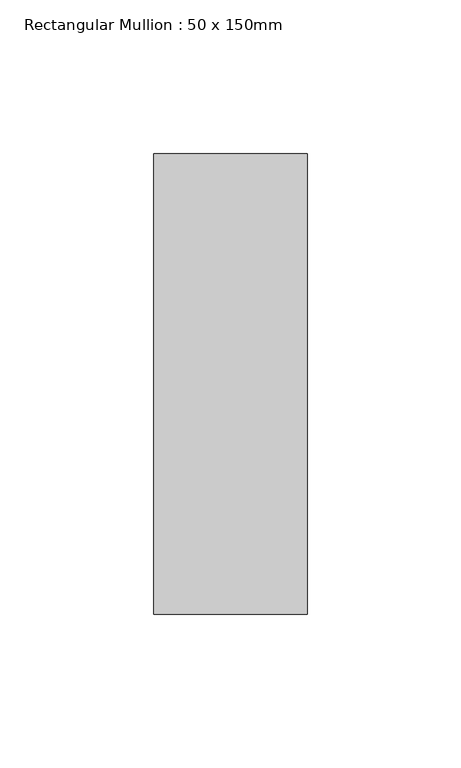
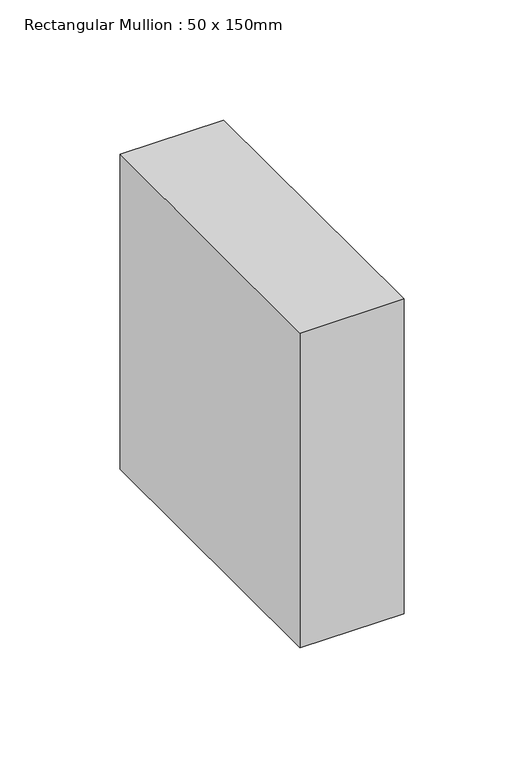
"""IFC4 building model written with IfcOpenShell, lengths in millimetres: member geometry, Rectangular Mullion : 50 x 150mm."""

from ifc_helpers import new_model, si_unit, frame, origin, place, context, project, spatial, polyline, outline, extrude, source, transform, mapped, element, save


def rectangular_mullion_50_x_150mm_116710e9(model_context):
    return source(origin(), model_context, "Body", "SweptSolid", [
        extrude(outline(polyline([(0.0, 75.0), (0.0, -75.0), (-50.0, -75.0), (-50.0, 75.0), (0.0, 75.0)])), frame((0.0, 0.0, -160.0), z_axis=(0.0, 0.0, 1.0), x_axis=(1.0, 0.0, 0.0)), (0.0, 0.0, 1.0), 160.0),
    ])


if __name__ == "__main__":
    model = new_model("IFC4")
    model_context = context("Model", 3, world=origin())
    ifc_project = project(units=[si_unit("LENGTHUNIT", "METRE", prefix="MILLI")], contexts=[model_context])
    site = spatial("IfcSite", under=ifc_project)
    building = spatial("IfcBuilding", under=site)
    placement = place(None, origin())
    rectangular_mullion_50_x_150mm_shape = rectangular_mullion_50_x_150mm_116710e9(model_context)
    element("IfcMember", 1, ObjectType="Rectangular Mullion : 50 x 150mm", at=placement, inside=building, context=model_context, shape_type="MappedRepresentation", body=[
        mapped(rectangular_mullion_50_x_150mm_shape, transform((0.0, 0.0, 0.0), x_axis=(1.0, 0.0, 0.0), y_axis=(0.0, 1.0, 0.0), z_axis=(0.0, 0.0, 1.0))),
    ])
    save(model, "model.ifc")
